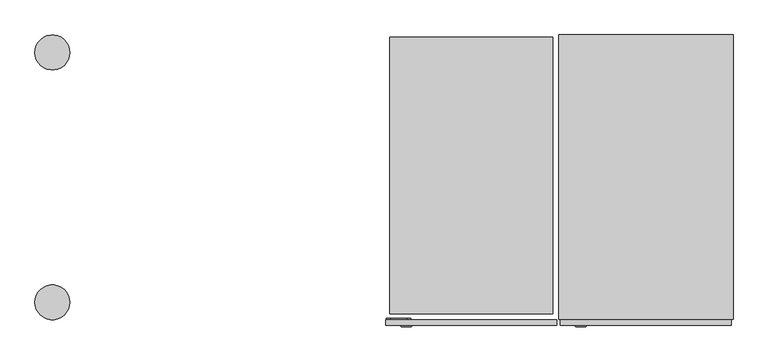
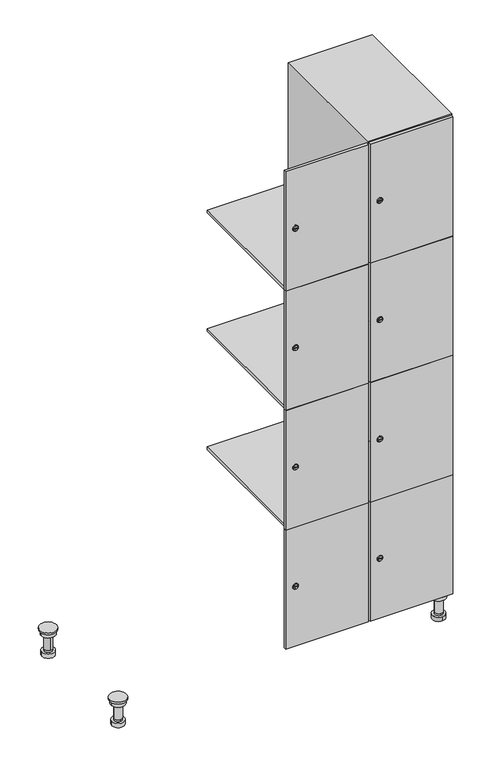
"""IFC4 building model written with IfcOpenShell, lengths in millimetres: furniture geometry."""

from ifc_helpers import new_model, si_unit, point, frame, frame_2d, origin, place, context, project, spatial, polyline, circle_curve, trimmed, segment, composite_curve, outline, extrude, faceted_brep, source, transform, mapped, element, save
from ifc_brep_helpers import plane_surface, cylinder_surface, revolved_surface, advanced_brep


def furniture_01546b12(model_context):
    return source(origin(), model_context, "Body", "SolidModel", [
        advanced_brep(
        [(970.0, -201.0, 22.0), (970.0, -201.5, 16.0), (970.0, -228.5, 16.0), (970.0, -229.0, 22.0), (956.0, -215.0, 22.0), (984.0, -215.0, 22.0), (970.0, -192.5, 16.0), (970.0, -237.5, 16.0), (970.0, -192.5, 0.0), (970.0, -237.5, 0.0), (984.0, -215.0, 78.0), (956.0, -215.0, 78.0), (995.0, -215.0, 78.0), (945.0, -215.0, 78.0), (1000.0, -215.0, 94.0), (940.0, -215.0, 94.0), (945.0, -215.0, 94.0), (995.0, -215.0, 94.0), (1000.0, -215.0, 100.0), (940.0, -215.0, 100.0)],
        [
            (0, 1),
            (1, 2, circle_curve(frame((970.0, -215.0, 16.0), z_axis=(0.0, 0.0, 1.0), x_axis=(0.0, -1.0, 0.0)), 13.5)),
            (2, 3),
            (3, 4, circle_curve(frame((970.0, -215.0, 22.0), z_axis=(0.0, 0.0, -1.0), x_axis=(0.0, -1.0, 0.0)), 14.0)),
            (4, 0, circle_curve(frame((970.0, -215.0, 22.0), z_axis=(0.0, 0.0, -1.0), x_axis=(0.0, -1.0, 0.0)), 14.0)),
            (0, 5, circle_curve(frame((970.0, -215.0, 22.0), z_axis=(0.0, 0.0, -1.0), x_axis=(0.0, 1.0, 0.0)), 14.0)),
            (5, 3, circle_curve(frame((970.0, -215.0, 22.0), z_axis=(0.0, 0.0, -1.0), x_axis=(0.0, 1.0, 0.0)), 14.0)),
            (2, 1, circle_curve(frame((970.0, -215.0, 16.0), z_axis=(0.0, 0.0, 1.0), x_axis=(0.0, 1.0, 0.0)), 13.5)),
            (6, 7, circle_curve(frame((970.0, -215.0, 16.0), z_axis=(0.0, 0.0, 1.0), x_axis=(0.0, -1.0, 0.0)), 22.5)),
            (7, 6, circle_curve(frame((970.0, -215.0, 16.0), z_axis=(0.0, 0.0, 1.0), x_axis=(0.0, -1.0, 0.0)), 22.5)),
            (8, 9, circle_curve(frame((970.0, -215.0, 0.0), z_axis=(0.0, 0.0, -1.0), x_axis=(0.0, -1.0, 0.0)), 22.5)),
            (9, 8, circle_curve(frame((970.0, -215.0, 0.0), z_axis=(0.0, 0.0, -1.0), x_axis=(0.0, -1.0, 0.0)), 22.5)),
            (6, 8),
            (9, 7),
            (5, 10),
            (10, 11, circle_curve(frame((970.0, -215.0, 78.0), z_axis=(0.0, 0.0, -1.0), x_axis=(-1.0, 0.0, 0.0)), 14.0)),
            (11, 4),
            (11, 10, circle_curve(frame((970.0, -215.0, 78.0), z_axis=(0.0, 0.0, -1.0), x_axis=(-1.0, 0.0, 0.0)), 14.0)),
            (12, 13, circle_curve(frame((970.0, -215.0, 78.0), z_axis=(0.0, 0.0, -1.0), x_axis=(-1.0, 0.0, 0.0)), 25.0)),
            (13, 12, circle_curve(frame((970.0, -215.0, 78.0), z_axis=(0.0, 0.0, -1.0), x_axis=(-1.0, 0.0, 0.0)), 25.0)),
            (14, 15, circle_curve(frame((970.0, -215.0, 94.0), z_axis=(0.0, 0.0, -1.0), x_axis=(-1.0, 0.0, 0.0)), 30.0)),
            (15, 14, circle_curve(frame((970.0, -215.0, 94.0), z_axis=(0.0, 0.0, -1.0), x_axis=(-1.0, 0.0, 0.0)), 30.0)),
            (16, 17, circle_curve(frame((970.0, -215.0, 94.0), z_axis=(0.0, 0.0, 1.0), x_axis=(-1.0, 0.0, 0.0)), 25.0)),
            (17, 16, circle_curve(frame((970.0, -215.0, 94.0), z_axis=(0.0, 0.0, 1.0), x_axis=(-1.0, 0.0, 0.0)), 25.0)),
            (18, 19, circle_curve(frame((970.0, -215.0, 100.0), z_axis=(0.0, 0.0, 1.0), x_axis=(-1.0, 0.0, 0.0)), 30.0)),
            (19, 18, circle_curve(frame((970.0, -215.0, 100.0), z_axis=(0.0, 0.0, 1.0), x_axis=(-1.0, 0.0, 0.0)), 30.0)),
            (14, 18),
            (19, 15),
            (12, 17),
            (16, 13),
        ],
        [
            revolved_surface(polyline([(970.0, -201.5, 16.0), (970.0, -201.0, 22.0)]), (970.0, -215.0, -146.0), (0.0, 0.0, 1.0)),
            plane_surface(frame((970.0, 0.0, 16.0), z_axis=(0.0, 0.0, 1.0), x_axis=(0.0, -1.0, 0.0))),
            plane_surface(frame((970.0, 0.0, 0.0), z_axis=(0.0, 0.0, -1.0), x_axis=(0.0, -1.0, 0.0))),
            cylinder_surface(frame((970.0, -215.0, 16.0), z_axis=(0.0, 0.0, 1.0), x_axis=(0.0, -1.0, 0.0)), 22.5),
            cylinder_surface(frame((970.0, -215.0, 22.0), z_axis=(0.0, 0.0, -1.0), x_axis=(-1.0, 0.0, 0.0)), 14.0),
            plane_surface(frame((970.0, 0.0, 78.0), z_axis=(0.0, 0.0, -1.0), x_axis=(0.0, -1.0, 0.0))),
            plane_surface(frame((970.0, 0.0, 94.0), z_axis=(0.0, 0.0, -1.0), x_axis=(0.0, -1.0, 0.0))),
            plane_surface(frame((970.0, 0.0, 100.0), z_axis=(0.0, 0.0, 1.0), x_axis=(0.0, -1.0, 0.0))),
            cylinder_surface(frame((970.0, -215.0, 94.0), z_axis=(0.0, 0.0, -1.0), x_axis=(-1.0, 0.0, 0.0)), 30.0),
            cylinder_surface(frame((970.0, -215.0, 78.0), z_axis=(0.0, 0.0, -1.0), x_axis=(-1.0, 0.0, 0.0)), 25.0),
        ],
        [
            (0, [[1, 2, 3, 4, 5]]),
            (0, [[-1, 6, 7, -3, 8]]),
            (1, [[9, 10], [-2, -8]]),
            (2, [[11, 12]]),
            (3, [[-9, 13, -12, 14]]),
            (3, [[-10, -14, -11, -13]]),
            (4, [[15, 16, 17, -4, -7]]),
            (4, [[-15, -6, -5, -17, 18]]),
            (5, [[19, 20], [-16, -18]]),
            (6, [[21, 22], [23, 24]]),
            (7, [[25, 26]]),
            (8, [[-21, 27, -26, 28]]),
            (8, [[-22, -28, -25, -27]]),
            (9, [[-19, 29, -23, 30]]),
            (9, [[-20, -30, -24, -29]]),
        ],
    ),
        advanced_brep(
        [(-170.0, -201.0, 22.0), (-170.0, -201.5, 16.0), (-170.0, -228.5, 16.0), (-170.0, -229.0, 22.0), (-184.0, -215.0, 22.0), (-156.0, -215.0, 22.0), (-147.5, -215.0, 0.0), (-192.5, -215.0, 0.0), (-147.5, -215.0, 16.0), (-192.5, -215.0, 16.0), (-156.0, -215.0, 78.0), (-184.0, -215.0, 78.0), (-145.0, -215.0, 78.0), (-195.0, -215.0, 78.0), (-140.0, -215.0, 94.0), (-200.0, -215.0, 94.0), (-195.0, -215.0, 94.0), (-145.0, -215.0, 94.0), (-140.0, -215.0, 100.0), (-200.0, -215.0, 100.0)],
        [
            (0, 1),
            (1, 2, circle_curve(frame((-170.0, -215.0, 16.0), z_axis=(0.0, 0.0, 1.0), x_axis=(0.0, -1.0, 0.0)), 13.5)),
            (2, 3),
            (3, 4, circle_curve(frame((-170.0, -215.0, 22.0), z_axis=(0.0, 0.0, -1.0), x_axis=(0.0, -1.0, 0.0)), 14.0)),
            (4, 0, circle_curve(frame((-170.0, -215.0, 22.0), z_axis=(0.0, 0.0, -1.0), x_axis=(0.0, -1.0, 0.0)), 14.0)),
            (0, 5, circle_curve(frame((-170.0, -215.0, 22.0), z_axis=(0.0, 0.0, -1.0), x_axis=(0.0, 1.0, 0.0)), 14.0)),
            (5, 3, circle_curve(frame((-170.0, -215.0, 22.0), z_axis=(0.0, 0.0, -1.0), x_axis=(0.0, 1.0, 0.0)), 14.0)),
            (2, 1, circle_curve(frame((-170.0, -215.0, 16.0), z_axis=(0.0, 0.0, 1.0), x_axis=(0.0, 1.0, 0.0)), 13.5)),
            (6, 7, circle_curve(frame((-170.0, -215.0, 0.0), z_axis=(0.0, 0.0, -1.0), x_axis=(-1.0, 0.0, 0.0)), 22.5)),
            (7, 6, circle_curve(frame((-170.0, -215.0, 0.0), z_axis=(0.0, 0.0, -1.0), x_axis=(-1.0, 0.0, 0.0)), 22.5)),
            (8, 9, circle_curve(frame((-170.0, -215.0, 16.0), z_axis=(0.0, 0.0, 1.0), x_axis=(-1.0, 0.0, 0.0)), 22.5)),
            (9, 8, circle_curve(frame((-170.0, -215.0, 16.0), z_axis=(0.0, 0.0, 1.0), x_axis=(-1.0, 0.0, 0.0)), 22.5)),
            (6, 8),
            (9, 7),
            (5, 10),
            (10, 11, circle_curve(frame((-170.0, -215.0, 78.0), z_axis=(0.0, 0.0, -1.0), x_axis=(-1.0, 0.0, 0.0)), 14.0)),
            (11, 4),
            (11, 10, circle_curve(frame((-170.0, -215.0, 78.0), z_axis=(0.0, 0.0, -1.0), x_axis=(-1.0, 0.0, 0.0)), 14.0)),
            (12, 13, circle_curve(frame((-170.0, -215.0, 78.0), z_axis=(0.0, 0.0, -1.0), x_axis=(-1.0, 0.0, 0.0)), 25.0)),
            (13, 12, circle_curve(frame((-170.0, -215.0, 78.0), z_axis=(0.0, 0.0, -1.0), x_axis=(-1.0, 0.0, 0.0)), 25.0)),
            (14, 15, circle_curve(frame((-170.0, -215.0, 94.0), z_axis=(0.0, 0.0, -1.0), x_axis=(-1.0, 0.0, 0.0)), 30.0)),
            (15, 14, circle_curve(frame((-170.0, -215.0, 94.0), z_axis=(0.0, 0.0, -1.0), x_axis=(-1.0, 0.0, 0.0)), 30.0)),
            (16, 17, circle_curve(frame((-170.0, -215.0, 94.0), z_axis=(0.0, 0.0, 1.0), x_axis=(-1.0, 0.0, 0.0)), 25.0)),
            (17, 16, circle_curve(frame((-170.0, -215.0, 94.0), z_axis=(0.0, 0.0, 1.0), x_axis=(-1.0, 0.0, 0.0)), 25.0)),
            (18, 19, circle_curve(frame((-170.0, -215.0, 100.0), z_axis=(0.0, 0.0, 1.0), x_axis=(-1.0, 0.0, 0.0)), 30.0)),
            (19, 18, circle_curve(frame((-170.0, -215.0, 100.0), z_axis=(0.0, 0.0, 1.0), x_axis=(-1.0, 0.0, 0.0)), 30.0)),
            (14, 18),
            (19, 15),
            (12, 17),
            (16, 13),
        ],
        [
            revolved_surface(polyline([(-170.0, -201.5, 16.0), (-170.0, -201.0, 22.0)]), (-170.0, -215.0, -146.0), (0.0, 0.0, 1.0)),
            plane_surface(frame((-170.0, 0.0, 0.0), z_axis=(0.0, 0.0, -1.0), x_axis=(0.0, -1.0, 0.0))),
            plane_surface(frame((-170.0, 0.0, 16.0), z_axis=(0.0, 0.0, 1.0), x_axis=(0.0, -1.0, 0.0))),
            cylinder_surface(frame((-170.0, -215.0, 0.0), z_axis=(0.0, 0.0, -1.0), x_axis=(-1.0, 0.0, 0.0)), 22.5),
            cylinder_surface(frame((-170.0, -215.0, 22.0), z_axis=(0.0, 0.0, -1.0), x_axis=(-1.0, 0.0, 0.0)), 14.0),
            plane_surface(frame((-170.0, 0.0, 78.0), z_axis=(0.0, 0.0, -1.0), x_axis=(0.0, -1.0, 0.0))),
            plane_surface(frame((-170.0, 0.0, 94.0), z_axis=(0.0, 0.0, -1.0), x_axis=(0.0, -1.0, 0.0))),
            plane_surface(frame((-170.0, 0.0, 100.0), z_axis=(0.0, 0.0, 1.0), x_axis=(0.0, -1.0, 0.0))),
            cylinder_surface(frame((-170.0, -215.0, 94.0), z_axis=(0.0, 0.0, -1.0), x_axis=(-1.0, 0.0, 0.0)), 30.0),
            cylinder_surface(frame((-170.0, -215.0, 78.0), z_axis=(0.0, 0.0, -1.0), x_axis=(-1.0, 0.0, 0.0)), 25.0),
        ],
        [
            (0, [[1, 2, 3, 4, 5]]),
            (0, [[-1, 6, 7, -3, 8]]),
            (1, [[9, 10]]),
            (2, [[11, 12], [-2, -8]]),
            (3, [[-9, 13, -12, 14]]),
            (3, [[-10, -14, -11, -13]]),
            (4, [[15, 16, 17, -4, -7]]),
            (4, [[-15, -6, -5, -17, 18]]),
            (5, [[19, 20], [-16, -18]]),
            (6, [[21, 22], [23, 24]]),
            (7, [[25, 26]]),
            (8, [[-21, 27, -26, 28]]),
            (8, [[-22, -28, -25, -27]]),
            (9, [[-19, 29, -23, 30]]),
            (9, [[-20, -30, -24, -29]]),
        ],
    ),
        advanced_brep(
        [(983.5, 215.0, 16.0), (984.0, 215.0, 22.0), (956.0, 215.0, 22.0), (956.5, 215.0, 16.0), (992.5, 215.0, 0.0), (947.5, 215.0, 0.0), (992.5, 215.0, 16.0), (947.5, 215.0, 16.0), (984.0, 215.0, 78.0), (956.0, 215.0, 78.0), (995.0, 215.0, 78.0), (945.0, 215.0, 78.0), (1000.0, 215.0, 94.0), (940.0, 215.0, 94.0), (945.0, 215.0, 94.0), (995.0, 215.0, 94.0), (1000.0, 215.0, 100.0), (940.0, 215.0, 100.0)],
        [
            (0, 1),
            (1, 2, circle_curve(frame((970.0, 215.0, 22.0), z_axis=(0.0, 0.0, -1.0), x_axis=(-1.0, 0.0, 0.0)), 14.0)),
            (2, 3),
            (3, 0, circle_curve(frame((970.0, 215.0, 16.0), z_axis=(0.0, 0.0, 1.0), x_axis=(-1.0, 0.0, 0.0)), 13.5)),
            (0, 3, circle_curve(frame((970.0, 215.0, 16.0), z_axis=(0.0, 0.0, 1.0), x_axis=(1.0, 0.0, 0.0)), 13.5)),
            (2, 1, circle_curve(frame((970.0, 215.0, 22.0), z_axis=(0.0, 0.0, -1.0), x_axis=(1.0, 0.0, 0.0)), 14.0)),
            (4, 5, circle_curve(frame((970.0, 215.0, 0.0), z_axis=(0.0, 0.0, -1.0), x_axis=(-1.0, 0.0, 0.0)), 22.5)),
            (5, 4, circle_curve(frame((970.0, 215.0, 0.0), z_axis=(0.0, 0.0, -1.0), x_axis=(-1.0, 0.0, 0.0)), 22.5)),
            (6, 7, circle_curve(frame((970.0, 215.0, 16.0), z_axis=(0.0, 0.0, 1.0), x_axis=(-1.0, 0.0, 0.0)), 22.5)),
            (7, 6, circle_curve(frame((970.0, 215.0, 16.0), z_axis=(0.0, 0.0, 1.0), x_axis=(-1.0, 0.0, 0.0)), 22.5)),
            (4, 6),
            (7, 5),
            (1, 8),
            (8, 9, circle_curve(frame((970.0, 215.0, 78.0), z_axis=(0.0, 0.0, -1.0), x_axis=(-1.0, 0.0, 0.0)), 14.0)),
            (9, 2),
            (9, 8, circle_curve(frame((970.0, 215.0, 78.0), z_axis=(0.0, 0.0, -1.0), x_axis=(-1.0, 0.0, 0.0)), 14.0)),
            (10, 11, circle_curve(frame((970.0, 215.0, 78.0), z_axis=(0.0, 0.0, -1.0), x_axis=(-1.0, 0.0, 0.0)), 25.0)),
            (11, 10, circle_curve(frame((970.0, 215.0, 78.0), z_axis=(0.0, 0.0, -1.0), x_axis=(-1.0, 0.0, 0.0)), 25.0)),
            (12, 13, circle_curve(frame((970.0, 215.0, 94.0), z_axis=(0.0, 0.0, -1.0), x_axis=(-1.0, 0.0, 0.0)), 30.0)),
            (13, 12, circle_curve(frame((970.0, 215.0, 94.0), z_axis=(0.0, 0.0, -1.0), x_axis=(-1.0, 0.0, 0.0)), 30.0)),
            (14, 15, circle_curve(frame((970.0, 215.0, 94.0), z_axis=(0.0, 0.0, 1.0), x_axis=(-1.0, 0.0, 0.0)), 25.0)),
            (15, 14, circle_curve(frame((970.0, 215.0, 94.0), z_axis=(0.0, 0.0, 1.0), x_axis=(-1.0, 0.0, 0.0)), 25.0)),
            (16, 17, circle_curve(frame((970.0, 215.0, 100.0), z_axis=(0.0, 0.0, 1.0), x_axis=(-1.0, 0.0, 0.0)), 30.0)),
            (17, 16, circle_curve(frame((970.0, 215.0, 100.0), z_axis=(0.0, 0.0, 1.0), x_axis=(-1.0, 0.0, 0.0)), 30.0)),
            (12, 16),
            (17, 13),
            (10, 15),
            (14, 11),
        ],
        [
            revolved_surface(polyline([(983.5, 215.0, 16.0), (984.0, 215.0, 22.0)]), (970.0, 215.0, -146.0), (0.0, 0.0, 1.0)),
            plane_surface(frame((970.0, 0.0, 0.0), z_axis=(0.0, 0.0, -1.0), x_axis=(0.0, -1.0, 0.0))),
            plane_surface(frame((970.0, 0.0, 16.0), z_axis=(0.0, 0.0, 1.0), x_axis=(0.0, -1.0, 0.0))),
            cylinder_surface(frame((970.0, 215.0, 0.0), z_axis=(0.0, 0.0, -1.0), x_axis=(-1.0, 0.0, 0.0)), 22.5),
            cylinder_surface(frame((970.0, 215.0, 22.0), z_axis=(0.0, 0.0, -1.0), x_axis=(-1.0, 0.0, 0.0)), 14.0),
            plane_surface(frame((970.0, 0.0, 78.0), z_axis=(0.0, 0.0, -1.0), x_axis=(0.0, -1.0, 0.0))),
            plane_surface(frame((970.0, 0.0, 94.0), z_axis=(0.0, 0.0, -1.0), x_axis=(0.0, -1.0, 0.0))),
            plane_surface(frame((970.0, 0.0, 100.0), z_axis=(0.0, 0.0, 1.0), x_axis=(0.0, -1.0, 0.0))),
            cylinder_surface(frame((970.0, 215.0, 94.0), z_axis=(0.0, 0.0, -1.0), x_axis=(-1.0, 0.0, 0.0)), 30.0),
            cylinder_surface(frame((970.0, 215.0, 78.0), z_axis=(0.0, 0.0, -1.0), x_axis=(-1.0, 0.0, 0.0)), 25.0),
        ],
        [
            (0, [[1, 2, 3, 4]]),
            (0, [[-1, 5, -3, 6]]),
            (1, [[7, 8]]),
            (2, [[9, 10], [-4, -5]]),
            (3, [[-7, 11, -10, 12]]),
            (3, [[-8, -12, -9, -11]]),
            (4, [[13, 14, 15, -2]]),
            (4, [[-13, -6, -15, 16]]),
            (5, [[17, 18], [-14, -16]]),
            (6, [[19, 20], [21, 22]]),
            (7, [[23, 24]]),
            (8, [[-19, 25, -24, 26]]),
            (8, [[-20, -26, -23, -25]]),
            (9, [[-17, 27, -21, 28]]),
            (9, [[-18, -28, -22, -27]]),
        ],
    ),
        advanced_brep(
        [(-156.5, 215.0, 16.0), (-156.0, 215.0, 22.0), (-170.0, 201.0, 22.0), (-184.0, 215.0, 22.0), (-183.5, 215.0, 16.0), (-170.0, 229.0, 22.0), (-147.5, 215.0, 0.0), (-192.5, 215.0, 0.0), (-147.5, 215.0, 16.0), (-192.5, 215.0, 16.0), (-170.0, 229.0, 78.0), (-170.0, 201.0, 78.0), (-145.0, 215.0, 78.0), (-195.0, 215.0, 78.0), (-140.0, 215.0, 94.0), (-200.0, 215.0, 94.0), (-195.0, 215.0, 94.0), (-145.0, 215.0, 94.0), (-140.0, 215.0, 100.0), (-200.0, 215.0, 100.0)],
        [
            (0, 1),
            (1, 2, circle_curve(frame((-170.0, 215.0, 22.0), z_axis=(0.0, 0.0, -1.0), x_axis=(-1.0, 0.0, 0.0)), 14.0)),
            (2, 3, circle_curve(frame((-170.0, 215.0, 22.0), z_axis=(0.0, 0.0, -1.0), x_axis=(-1.0, 0.0, 0.0)), 14.0)),
            (3, 4),
            (4, 0, circle_curve(frame((-170.0, 215.0, 16.0), z_axis=(0.0, 0.0, 1.0), x_axis=(-1.0, 0.0, 0.0)), 13.5)),
            (0, 4, circle_curve(frame((-170.0, 215.0, 16.0), z_axis=(0.0, 0.0, 1.0), x_axis=(1.0, 0.0, 0.0)), 13.5)),
            (3, 5, circle_curve(frame((-170.0, 215.0, 22.0), z_axis=(0.0, 0.0, -1.0), x_axis=(1.0, 0.0, 0.0)), 14.0)),
            (5, 1, circle_curve(frame((-170.0, 215.0, 22.0), z_axis=(0.0, 0.0, -1.0), x_axis=(1.0, 0.0, 0.0)), 14.0)),
            (6, 7, circle_curve(frame((-170.0, 215.0, 0.0), z_axis=(0.0, 0.0, -1.0), x_axis=(-1.0, 0.0, 0.0)), 22.5)),
            (7, 6, circle_curve(frame((-170.0, 215.0, 0.0), z_axis=(0.0, 0.0, -1.0), x_axis=(-1.0, 0.0, 0.0)), 22.5)),
            (8, 9, circle_curve(frame((-170.0, 215.0, 16.0), z_axis=(0.0, 0.0, 1.0), x_axis=(-1.0, 0.0, 0.0)), 22.5)),
            (9, 8, circle_curve(frame((-170.0, 215.0, 16.0), z_axis=(0.0, 0.0, 1.0), x_axis=(-1.0, 0.0, 0.0)), 22.5)),
            (6, 8),
            (9, 7),
            (10, 5),
            (2, 11),
            (11, 10, circle_curve(frame((-170.0, 215.0, 78.0), z_axis=(0.0, 0.0, -1.0), x_axis=(0.0, -1.0, 0.0)), 14.0)),
            (10, 11, circle_curve(frame((-170.0, 215.0, 78.0), z_axis=(0.0, 0.0, -1.0), x_axis=(0.0, -1.0, 0.0)), 14.0)),
            (12, 13, circle_curve(frame((-170.0, 215.0, 78.0), z_axis=(0.0, 0.0, -1.0), x_axis=(-1.0, 0.0, 0.0)), 25.0)),
            (13, 12, circle_curve(frame((-170.0, 215.0, 78.0), z_axis=(0.0, 0.0, -1.0), x_axis=(-1.0, 0.0, 0.0)), 25.0)),
            (14, 15, circle_curve(frame((-170.0, 215.0, 94.0), z_axis=(0.0, 0.0, -1.0), x_axis=(-1.0, 0.0, 0.0)), 30.0)),
            (15, 14, circle_curve(frame((-170.0, 215.0, 94.0), z_axis=(0.0, 0.0, -1.0), x_axis=(-1.0, 0.0, 0.0)), 30.0)),
            (16, 17, circle_curve(frame((-170.0, 215.0, 94.0), z_axis=(0.0, 0.0, 1.0), x_axis=(-1.0, 0.0, 0.0)), 25.0)),
            (17, 16, circle_curve(frame((-170.0, 215.0, 94.0), z_axis=(0.0, 0.0, 1.0), x_axis=(-1.0, 0.0, 0.0)), 25.0)),
            (18, 19, circle_curve(frame((-170.0, 215.0, 100.0), z_axis=(0.0, 0.0, 1.0), x_axis=(-1.0, 0.0, 0.0)), 30.0)),
            (19, 18, circle_curve(frame((-170.0, 215.0, 100.0), z_axis=(0.0, 0.0, 1.0), x_axis=(-1.0, 0.0, 0.0)), 30.0)),
            (14, 18),
            (19, 15),
            (12, 17),
            (16, 13),
        ],
        [
            revolved_surface(polyline([(-156.5, 215.0, 16.0), (-156.0, 215.0, 22.0)]), (-170.0, 215.0, -146.0), (0.0, 0.0, 1.0)),
            plane_surface(frame((-170.0, 0.0, 0.0), z_axis=(0.0, 0.0, -1.0), x_axis=(0.0, -1.0, 0.0))),
            plane_surface(frame((-170.0, 0.0, 16.0), z_axis=(0.0, 0.0, 1.0), x_axis=(0.0, -1.0, 0.0))),
            cylinder_surface(frame((-170.0, 215.0, 0.0), z_axis=(0.0, 0.0, -1.0), x_axis=(-1.0, 0.0, 0.0)), 22.5),
            cylinder_surface(frame((-170.0, 215.0, 78.0), z_axis=(0.0, 0.0, 1.0), x_axis=(0.0, -1.0, 0.0)), 14.0),
            plane_surface(frame((-170.0, 0.0, 78.0), z_axis=(0.0, 0.0, -1.0), x_axis=(0.0, -1.0, 0.0))),
            plane_surface(frame((-170.0, 0.0, 94.0), z_axis=(0.0, 0.0, -1.0), x_axis=(0.0, -1.0, 0.0))),
            plane_surface(frame((-170.0, 0.0, 100.0), z_axis=(0.0, 0.0, 1.0), x_axis=(0.0, -1.0, 0.0))),
            cylinder_surface(frame((-170.0, 215.0, 94.0), z_axis=(0.0, 0.0, -1.0), x_axis=(-1.0, 0.0, 0.0)), 30.0),
            cylinder_surface(frame((-170.0, 215.0, 78.0), z_axis=(0.0, 0.0, -1.0), x_axis=(-1.0, 0.0, 0.0)), 25.0),
        ],
        [
            (0, [[1, 2, 3, 4, 5]]),
            (0, [[-1, 6, -4, 7, 8]]),
            (1, [[9, 10]]),
            (2, [[11, 12], [-5, -6]]),
            (3, [[-9, 13, -12, 14]]),
            (3, [[-10, -14, -11, -13]]),
            (4, [[15, -7, -3, 16, 17]]),
            (4, [[-15, 18, -16, -2, -8]]),
            (5, [[19, 20], [-17, -18]]),
            (6, [[21, 22], [23, 24]]),
            (7, [[25, 26]]),
            (8, [[-21, 27, -26, 28]]),
            (8, [[-22, -28, -25, -27]]),
            (9, [[-19, 29, -23, 30]]),
            (9, [[-20, -30, -24, -29]]),
        ],
    ),
        extrude(outline(composite_curve([segment(trimmed(circle_curve(frame_2d((327.25, 711.2010534)), 7.0), [point((334.25, 711.2010534))], [point((320.25, 711.2010534))], False, "CARTESIAN"), True, "CONTINUOUS"), segment(polyline([(320.25, 711.2010534), (320.25, 739.2010534)]), True, "CONTINUOUS"), segment(trimmed(circle_curve(frame_2d((327.25, 739.2010534)), 7.0), [point((320.25, 739.2010534))], [point((334.25, 739.2010534))], False, "CARTESIAN"), True, "CONTINUOUS"), segment(polyline([(334.25, 739.2010534), (334.25, 711.2010534)]), True, "CONTINUOUS")], self_intersect=False)), frame((0.0, -245.0, 0.0), z_axis=(0.0, 1.0, 0.0), x_axis=(0.0, 0.0, 1.0)), (0.0, 0.0, 1.0), 2.0),
        advanced_brep(
        [(746.5, -257.2, 327.25), (729.5, -257.2, 327.25), (733.0, -257.2, 326.0), (733.0, -257.2, 328.5), (743.0, -257.2, 328.5), (743.0, -257.2, 326.0), (748.5, -255.0, 327.25), (727.5, -255.0, 327.25), (733.0, -255.0, 328.5), (733.0, -255.0, 326.0), (743.0, -255.0, 326.0), (743.0, -255.0, 328.5)],
        [
            (0, 1, circle_curve(frame((738.0, -257.2, 327.25), z_axis=(0.0, -1.0, 0.0), x_axis=(1.0, 0.0, 0.0)), 8.5)),
            (1, 0, circle_curve(frame((738.0, -257.2, 327.25), z_axis=(0.0, -1.0, 0.0), x_axis=(-1.0, 0.0, 0.0)), 8.5)),
            (2, 3),
            (3, 4),
            (4, 5),
            (5, 2),
            (6, 7, circle_curve(frame((738.0, -255.0, 327.25), z_axis=(0.0, 1.0, 0.0), x_axis=(-1.0, 0.0, 0.0)), 10.5)),
            (7, 6, circle_curve(frame((738.0, -255.0, 327.25), z_axis=(0.0, 1.0, 0.0), x_axis=(1.0, 0.0, 0.0)), 10.5)),
            (8, 9),
            (9, 10),
            (10, 11),
            (11, 8),
            (0, 6),
            (7, 1),
            (8, 3),
            (2, 9),
            (11, 4),
            (10, 5),
        ],
        [
            plane_surface(frame((738.0, -257.2, 327.25), z_axis=(0.0, -1.0, 0.0), x_axis=(0.0, 0.0, 1.0))),
            plane_surface(frame((738.0, -255.0, 327.25), z_axis=(0.0, 1.0, 0.0), x_axis=(0.0, 0.0, 1.0))),
            revolved_surface(polyline([(746.5, -257.2, 327.25), (748.5, -255.0, 327.25)]), (738.0, -266.55, 327.25), (0.0, 1.0, 0.0)),
            revolved_surface(polyline([(729.5, -257.2, 327.25), (727.5, -255.0, 327.25)]), (738.0, -266.55, 327.25), (0.0, 1.0, 0.0)),
            plane_surface(frame((733.0, -255.0, 326.0), z_axis=(1.0, 0.0, 0.0), x_axis=(0.0, -1.0, 0.0))),
            plane_surface(frame((733.0, -255.0, 328.5), z_axis=(0.0, 0.0, -1.0), x_axis=(0.0, -1.0, 0.0))),
            plane_surface(frame((743.0, -255.0, 328.5), z_axis=(-1.0, 0.0, 0.0), x_axis=(0.0, -1.0, 0.0))),
            plane_surface(frame((743.0, -255.0, 326.0), z_axis=(0.0, 0.0, 1.0), x_axis=(0.0, -1.0, 0.0))),
        ],
        [
            (0, [[1, 2], [3, 4, 5, 6]]),
            (1, [[7, 8], [9, 10, 11, 12]]),
            (2, [[-1, 13, -8, 14]]),
            (3, [[-2, -14, -7, -13]]),
            (4, [[15, -3, 16, -9]]),
            (5, [[-15, -12, 17, -4]]),
            (6, [[-17, -11, 18, -5]]),
            (7, [[-16, -6, -18, -10]]),
        ],
    ),
        extrude(outline(composite_curve([segment(trimmed(circle_curve(frame_2d((775.75, 711.2010534)), 7.0), [point((782.75, 711.2010534))], [point((768.75, 711.2010534))], False, "CARTESIAN"), True, "CONTINUOUS"), segment(polyline([(768.75, 711.2010534), (768.75, 739.2010534)]), True, "CONTINUOUS"), segment(trimmed(circle_curve(frame_2d((775.75, 739.2010534)), 7.0), [point((768.75, 739.2010534))], [point((782.75, 739.2010534))], False, "CARTESIAN"), True, "CONTINUOUS"), segment(polyline([(782.75, 739.2010534), (782.75, 711.2010534)]), True, "CONTINUOUS")], self_intersect=False)), frame((0.0, -245.0, 0.0), z_axis=(0.0, 1.0, 0.0), x_axis=(0.0, 0.0, 1.0)), (0.0, 0.0, 1.0), 2.0),
        advanced_brep(
        [(746.5, -257.2, 775.75), (729.5, -257.2, 775.75), (733.0, -257.2, 774.5), (733.0, -257.2, 777.0), (743.0, -257.2, 777.0), (743.0, -257.2, 774.5), (748.5, -255.0, 775.75), (727.5, -255.0, 775.75), (733.0, -255.0, 777.0), (733.0, -255.0, 774.5), (743.0, -255.0, 774.5), (743.0, -255.0, 777.0)],
        [
            (0, 1, circle_curve(frame((738.0, -257.2, 775.75), z_axis=(0.0, -1.0, 0.0), x_axis=(1.0, 0.0, 0.0)), 8.5)),
            (1, 0, circle_curve(frame((738.0, -257.2, 775.75), z_axis=(0.0, -1.0, 0.0), x_axis=(-1.0, 0.0, 0.0)), 8.5)),
            (2, 3),
            (3, 4),
            (4, 5),
            (5, 2),
            (6, 7, circle_curve(frame((738.0, -255.0, 775.75), z_axis=(0.0, 1.0, 0.0), x_axis=(-1.0, 0.0, 0.0)), 10.5)),
            (7, 6, circle_curve(frame((738.0, -255.0, 775.75), z_axis=(0.0, 1.0, 0.0), x_axis=(1.0, 0.0, 0.0)), 10.5)),
            (8, 9),
            (9, 10),
            (10, 11),
            (11, 8),
            (0, 6),
            (7, 1),
            (8, 3),
            (2, 9),
            (11, 4),
            (10, 5),
        ],
        [
            plane_surface(frame((738.0, -257.2, 775.75), z_axis=(0.0, -1.0, 0.0), x_axis=(0.0, 0.0, 1.0))),
            plane_surface(frame((738.0, -255.0, 775.75), z_axis=(0.0, 1.0, 0.0), x_axis=(0.0, 0.0, 1.0))),
            revolved_surface(polyline([(746.5, -257.2, 775.75), (748.5, -255.0, 775.75)]), (738.0, -266.55, 775.75), (0.0, 1.0, 0.0)),
            revolved_surface(polyline([(729.5, -257.2, 775.75), (727.5, -255.0, 775.75)]), (738.0, -266.55, 775.75), (0.0, 1.0, 0.0)),
            plane_surface(frame((733.0, -255.0, 774.5), z_axis=(1.0, 0.0, 0.0), x_axis=(0.0, -1.0, 0.0))),
            plane_surface(frame((733.0, -255.0, 777.0), z_axis=(0.0, 0.0, -1.0), x_axis=(0.0, -1.0, 0.0))),
            plane_surface(frame((743.0, -255.0, 777.0), z_axis=(-1.0, 0.0, 0.0), x_axis=(0.0, -1.0, 0.0))),
            plane_surface(frame((743.0, -255.0, 774.5), z_axis=(0.0, 0.0, 1.0), x_axis=(0.0, -1.0, 0.0))),
        ],
        [
            (0, [[1, 2], [3, 4, 5, 6]]),
            (1, [[7, 8], [9, 10, 11, 12]]),
            (2, [[-1, 13, -8, 14]]),
            (3, [[-2, -14, -7, -13]]),
            (4, [[15, -3, 16, -9]]),
            (5, [[-15, -12, 17, -4]]),
            (6, [[-17, -11, 18, -5]]),
            (7, [[-16, -6, -18, -10]]),
        ],
    ),
        extrude(outline(composite_curve([segment(trimmed(circle_curve(frame_2d((1224.25, 711.2010534)), 7.0), [point((1231.25, 711.2010534))], [point((1217.25, 711.2010534))], False, "CARTESIAN"), True, "CONTINUOUS"), segment(polyline([(1217.25, 711.2010534), (1217.25, 739.2010534)]), True, "CONTINUOUS"), segment(trimmed(circle_curve(frame_2d((1224.25, 739.2010534)), 7.0), [point((1217.25, 739.2010534))], [point((1231.25, 739.2010534))], False, "CARTESIAN"), True, "CONTINUOUS"), segment(polyline([(1231.25, 739.2010534), (1231.25, 711.2010534)]), True, "CONTINUOUS")], self_intersect=False)), frame((0.0, -245.0, 0.0), z_axis=(0.0, 1.0, 0.0), x_axis=(0.0, 0.0, 1.0)), (0.0, 0.0, 1.0), 2.0),
        advanced_brep(
        [(746.5, -257.2, 1224.25), (729.5, -257.2, 1224.25), (733.0, -257.2, 1223.0), (733.0, -257.2, 1225.5), (743.0, -257.2, 1225.5), (743.0, -257.2, 1223.0), (748.5, -255.0, 1224.25), (727.5, -255.0, 1224.25), (733.0, -255.0, 1225.5), (733.0, -255.0, 1223.0), (743.0, -255.0, 1223.0), (743.0, -255.0, 1225.5)],
        [
            (0, 1, circle_curve(frame((738.0, -257.2, 1224.25), z_axis=(0.0, -1.0, 0.0), x_axis=(1.0, 0.0, 0.0)), 8.5)),
            (1, 0, circle_curve(frame((738.0, -257.2, 1224.25), z_axis=(0.0, -1.0, 0.0), x_axis=(-1.0, 0.0, 0.0)), 8.5)),
            (2, 3),
            (3, 4),
            (4, 5),
            (5, 2),
            (6, 7, circle_curve(frame((738.0, -255.0, 1224.25), z_axis=(0.0, 1.0, 0.0), x_axis=(-1.0, 0.0, 0.0)), 10.5)),
            (7, 6, circle_curve(frame((738.0, -255.0, 1224.25), z_axis=(0.0, 1.0, 0.0), x_axis=(1.0, 0.0, 0.0)), 10.5)),
            (8, 9),
            (9, 10),
            (10, 11),
            (11, 8),
            (0, 6),
            (7, 1),
            (8, 3),
            (2, 9),
            (11, 4),
            (10, 5),
        ],
        [
            plane_surface(frame((738.0, -257.2, 1224.25), z_axis=(0.0, -1.0, 0.0), x_axis=(0.0, 0.0, 1.0))),
            plane_surface(frame((738.0, -255.0, 1224.25), z_axis=(0.0, 1.0, 0.0), x_axis=(0.0, 0.0, 1.0))),
            revolved_surface(polyline([(746.5, -257.2, 1224.25), (748.5, -255.0, 1224.25)]), (738.0, -266.55, 1224.25), (0.0, 1.0, 0.0)),
            revolved_surface(polyline([(729.5, -257.2, 1224.25), (727.5, -255.0, 1224.25)]), (738.0, -266.55, 1224.25), (0.0, 1.0, 0.0)),
            plane_surface(frame((733.0, -255.0, 1223.0), z_axis=(1.0, 0.0, 0.0), x_axis=(0.0, -1.0, 0.0))),
            plane_surface(frame((733.0, -255.0, 1225.5), z_axis=(0.0, 0.0, -1.0), x_axis=(0.0, -1.0, 0.0))),
            plane_surface(frame((743.0, -255.0, 1225.5), z_axis=(-1.0, 0.0, 0.0), x_axis=(0.0, -1.0, 0.0))),
            plane_surface(frame((743.0, -255.0, 1223.0), z_axis=(0.0, 0.0, 1.0), x_axis=(0.0, -1.0, 0.0))),
        ],
        [
            (0, [[1, 2], [3, 4, 5, 6]]),
            (1, [[7, 8], [9, 10, 11, 12]]),
            (2, [[-1, 13, -8, 14]]),
            (3, [[-2, -14, -7, -13]]),
            (4, [[15, -3, 16, -9]]),
            (5, [[-15, -12, 17, -4]]),
            (6, [[-17, -11, 18, -5]]),
            (7, [[-16, -6, -18, -10]]),
        ],
    ),
        extrude(outline(composite_curve([segment(trimmed(circle_curve(frame_2d((1672.75, 711.2010534)), 7.0), [point((1679.75, 711.2010534))], [point((1665.75, 711.2010534))], False, "CARTESIAN"), True, "CONTINUOUS"), segment(polyline([(1665.75, 711.2010534), (1665.75, 739.2010534)]), True, "CONTINUOUS"), segment(trimmed(circle_curve(frame_2d((1672.75, 739.2010534)), 7.0), [point((1665.75, 739.2010534))], [point((1679.75, 739.2010534))], False, "CARTESIAN"), True, "CONTINUOUS"), segment(polyline([(1679.75, 739.2010534), (1679.75, 711.2010534)]), True, "CONTINUOUS")], self_intersect=False)), frame((0.0, -245.0, 0.0), z_axis=(0.0, 1.0, 0.0), x_axis=(0.0, 0.0, 1.0)), (0.0, 0.0, 1.0), 2.0),
        advanced_brep(
        [(746.5, -257.2, 1672.75), (729.5, -257.2, 1672.75), (733.0, -257.2, 1671.5), (733.0, -257.2, 1674.0), (743.0, -257.2, 1674.0), (743.0, -257.2, 1671.5), (748.5, -255.0, 1672.75), (727.5, -255.0, 1672.75), (733.0, -255.0, 1674.0), (733.0, -255.0, 1671.5), (743.0, -255.0, 1671.5), (743.0, -255.0, 1674.0)],
        [
            (0, 1, circle_curve(frame((738.0, -257.2, 1672.75), z_axis=(0.0, -1.0, 0.0), x_axis=(1.0, 0.0, 0.0)), 8.5)),
            (1, 0, circle_curve(frame((738.0, -257.2, 1672.75), z_axis=(0.0, -1.0, 0.0), x_axis=(-1.0, 0.0, 0.0)), 8.5)),
            (2, 3),
            (3, 4),
            (4, 5),
            (5, 2),
            (6, 7, circle_curve(frame((738.0, -255.0, 1672.75), z_axis=(0.0, 1.0, 0.0), x_axis=(-1.0, 0.0, 0.0)), 10.5)),
            (7, 6, circle_curve(frame((738.0, -255.0, 1672.75), z_axis=(0.0, 1.0, 0.0), x_axis=(1.0, 0.0, 0.0)), 10.5)),
            (8, 9),
            (9, 10),
            (10, 11),
            (11, 8),
            (0, 6),
            (7, 1),
            (8, 3),
            (2, 9),
            (11, 4),
            (10, 5),
        ],
        [
            plane_surface(frame((738.0, -257.2, 1672.75), z_axis=(0.0, -1.0, 0.0), x_axis=(0.0, 0.0, 1.0))),
            plane_surface(frame((738.0, -255.0, 1672.75), z_axis=(0.0, 1.0, 0.0), x_axis=(0.0, 0.0, 1.0))),
            revolved_surface(polyline([(746.5, -257.2, 1672.75), (748.5, -255.0, 1672.75)]), (738.0, -266.55, 1672.75), (0.0, 1.0, 0.0)),
            revolved_surface(polyline([(729.5, -257.2, 1672.75), (727.5, -255.0, 1672.75)]), (738.0, -266.55, 1672.75), (0.0, 1.0, 0.0)),
            plane_surface(frame((733.0, -255.0, 1671.5), z_axis=(1.0, 0.0, 0.0), x_axis=(0.0, -1.0, 0.0))),
            plane_surface(frame((733.0, -255.0, 1674.0), z_axis=(0.0, 0.0, -1.0), x_axis=(0.0, -1.0, 0.0))),
            plane_surface(frame((743.0, -255.0, 1674.0), z_axis=(-1.0, 0.0, 0.0), x_axis=(0.0, -1.0, 0.0))),
            plane_surface(frame((743.0, -255.0, 1671.5), z_axis=(0.0, 0.0, 1.0), x_axis=(0.0, -1.0, 0.0))),
        ],
        [
            (0, [[1, 2], [3, 4, 5, 6]]),
            (1, [[7, 8], [9, 10, 11, 12]]),
            (2, [[-1, 13, -8, 14]]),
            (3, [[-2, -14, -7, -13]]),
            (4, [[15, -3, 16, -9]]),
            (5, [[-15, -12, 17, -4]]),
            (6, [[-17, -11, 18, -5]]),
            (7, [[-16, -6, -18, -10]]),
        ],
    ),
        extrude(outline(polyline([(997.0, -245.0), (997.0, -255.0), (703.0, -255.0), (703.0, -245.0), (997.0, -245.0)])), frame((0.0, 0.0, 551.0), z_axis=(0.0, 0.0, 1.0), x_axis=(1.0, 0.0, 0.0)), (0.0, 0.0, 1.0), 448.5),
        extrude(outline(polyline([(997.0, -245.0), (997.0, -255.0), (703.0, -255.0), (703.0, -245.0), (997.0, -245.0)])), frame((0.0, 0.0, 1000.5), z_axis=(0.0, 0.0, 1.0), x_axis=(1.0, 0.0, 0.0)), (0.0, 0.0, 1.0), 447.5),
        extrude(outline(polyline([(703.0, -255.0), (703.0, -245.0), (997.0, -245.0), (997.0, -255.0), (703.0, -255.0)])), frame((0.0, 0.0, 1449.0), z_axis=(0.0, 0.0, 1.0), x_axis=(1.0, 0.0, 0.0)), (0.0, 0.0, 1.0), 448.0),
        extrude(outline(polyline([(997.0, -245.0), (997.0, -255.0), (703.0, -255.0), (703.0, -245.0), (997.0, -245.0)])), frame((0.0, 0.0, 103.0), z_axis=(0.0, 0.0, 1.0), x_axis=(1.0, 0.0, 0.0)), (0.0, 0.0, 1.0), 449.0),
        extrude(outline(polyline([(990.0, 241.0), (990.0, -235.0), (710.0, -235.0), (710.0, 241.0), (990.0, 241.0)])), frame((0.0, 0.0, 1440.0), z_axis=(0.0, 0.0, 1.0), x_axis=(1.0, 0.0, 0.0)), (0.0, 0.0, 1.0), 10.0),
        extrude(outline(polyline([(990.0, 241.0), (990.0, -235.0), (710.0, -235.0), (710.0, 241.0), (990.0, 241.0)])), frame((0.0, 0.0, 995.0), z_axis=(0.0, 0.0, 1.0), x_axis=(1.0, 0.0, 0.0)), (0.0, 0.0, 1.0), 10.0),
        extrude(outline(polyline([(990.0, 241.0), (990.0, -235.0), (710.0, -235.0), (710.0, 241.0), (990.0, 241.0)])), frame((0.0, 0.0, 550.0), z_axis=(0.0, 0.0, 1.0), x_axis=(1.0, 0.0, 0.0)), (0.0, 0.0, 1.0), 10.0),
        faceted_brep([(1000.0, -245.0, 100.0), (1000.0, -245.0, 1900.0), (700.0, -245.0, 1900.0), (700.0, -245.0, 100.0), (990.0, -245.0, 1890.0), (990.0, -245.0, 110.0), (710.0, -245.0, 110.0), (710.0, -245.0, 1890.0), (1000.0, 245.0, 100.0), (700.0, 245.0, 100.0), (1000.0, 245.0, 1900.0), (700.0, 245.0, 1900.0), (990.0, 241.0, 1890.0), (990.0, 241.0, 110.0), (700.0, 245.0, 1890.0), (710.0, 241.0, 1890.0), (710.0, 241.0, 110.0)], [[[0, 1, 2, 3], [4, 5, 6, 7]], [[8, 0, 3, 9]], [[1, 0, 8, 10]], [[1, 10, 11, 2]], [[4, 12, 13, 5]], [[9, 3, 2, 11, 14]], [[10, 8, 9, 14, 11]], [[12, 15, 16, 13]], [[15, 7, 6, 16]], [[4, 7, 15, 12]], [[6, 5, 13, 16]]]),
        extrude(outline(composite_curve([segment(trimmed(circle_curve(frame_2d((327.25, 411.2010534)), 7.0), [point((334.25, 411.2010534))], [point((320.25, 411.2010534))], False, "CARTESIAN"), True, "CONTINUOUS"), segment(polyline([(320.25, 411.2010534), (320.25, 439.2010534)]), True, "CONTINUOUS"), segment(trimmed(circle_curve(frame_2d((327.25, 439.2010534)), 7.0), [point((320.25, 439.2010534))], [point((334.25, 439.2010534))], False, "CARTESIAN"), True, "CONTINUOUS"), segment(polyline([(334.25, 439.2010534), (334.25, 411.2010534)]), True, "CONTINUOUS")], self_intersect=False)), frame((0.0, -245.0, 0.0), z_axis=(0.0, 1.0, 0.0), x_axis=(0.0, 0.0, 1.0)), (0.0, 0.0, 1.0), 2.0),
        advanced_brep(
        [(446.5, -257.2, 327.25), (429.5, -257.2, 327.25), (433.0, -257.2, 326.0), (433.0, -257.2, 328.5), (443.0, -257.2, 328.5), (443.0, -257.2, 326.0), (448.5, -255.0, 327.25), (427.5, -255.0, 327.25), (433.0, -255.0, 328.5), (433.0, -255.0, 326.0), (443.0, -255.0, 326.0), (443.0, -255.0, 328.5)],
        [
            (0, 1, circle_curve(frame((438.0, -257.2, 327.25), z_axis=(0.0, -1.0, 0.0), x_axis=(1.0, 0.0, 0.0)), 8.5)),
            (1, 0, circle_curve(frame((438.0, -257.2, 327.25), z_axis=(0.0, -1.0, 0.0), x_axis=(-1.0, 0.0, 0.0)), 8.5)),
            (2, 3),
            (3, 4),
            (4, 5),
            (5, 2),
            (6, 7, circle_curve(frame((438.0, -255.0, 327.25), z_axis=(0.0, 1.0, 0.0), x_axis=(-1.0, 0.0, 0.0)), 10.5)),
            (7, 6, circle_curve(frame((438.0, -255.0, 327.25), z_axis=(0.0, 1.0, 0.0), x_axis=(1.0, 0.0, 0.0)), 10.5)),
            (8, 9),
            (9, 10),
            (10, 11),
            (11, 8),
            (0, 6),
            (7, 1),
            (8, 3),
            (2, 9),
            (11, 4),
            (10, 5),
        ],
        [
            plane_surface(frame((438.0, -257.2, 327.25), z_axis=(0.0, -1.0, 0.0), x_axis=(0.0, 0.0, 1.0))),
            plane_surface(frame((438.0, -255.0, 327.25), z_axis=(0.0, 1.0, 0.0), x_axis=(0.0, 0.0, 1.0))),
            revolved_surface(polyline([(446.5, -257.2, 327.25), (448.5, -255.0, 327.25)]), (438.0, -266.55, 327.25), (0.0, 1.0, 0.0)),
            revolved_surface(polyline([(429.5, -257.2, 327.25), (427.5, -255.0, 327.25)]), (438.0, -266.55, 327.25), (0.0, 1.0, 0.0)),
            plane_surface(frame((433.0, -255.0, 326.0), z_axis=(1.0, 0.0, 0.0), x_axis=(0.0, -1.0, 0.0))),
            plane_surface(frame((433.0, -255.0, 328.5), z_axis=(0.0, 0.0, -1.0), x_axis=(0.0, -1.0, 0.0))),
            plane_surface(frame((443.0, -255.0, 328.5), z_axis=(-1.0, 0.0, 0.0), x_axis=(0.0, -1.0, 0.0))),
            plane_surface(frame((443.0, -255.0, 326.0), z_axis=(0.0, 0.0, 1.0), x_axis=(0.0, -1.0, 0.0))),
        ],
        [
            (0, [[1, 2], [3, 4, 5, 6]]),
            (1, [[7, 8], [9, 10, 11, 12]]),
            (2, [[-1, 13, -8, 14]]),
            (3, [[-2, -14, -7, -13]]),
            (4, [[15, -3, 16, -9]]),
            (5, [[-15, -12, 17, -4]]),
            (6, [[-17, -11, 18, -5]]),
            (7, [[-16, -6, -18, -10]]),
        ],
    ),
        extrude(outline(composite_curve([segment(trimmed(circle_curve(frame_2d((775.75, 411.2010534)), 7.0), [point((782.75, 411.2010534))], [point((768.75, 411.2010534))], False, "CARTESIAN"), True, "CONTINUOUS"), segment(polyline([(768.75, 411.2010534), (768.75, 439.2010534)]), True, "CONTINUOUS"), segment(trimmed(circle_curve(frame_2d((775.75, 439.2010534)), 7.0), [point((768.75, 439.2010534))], [point((782.75, 439.2010534))], False, "CARTESIAN"), True, "CONTINUOUS"), segment(polyline([(782.75, 439.2010534), (782.75, 411.2010534)]), True, "CONTINUOUS")], self_intersect=False)), frame((0.0, -245.0, 0.0), z_axis=(0.0, 1.0, 0.0), x_axis=(0.0, 0.0, 1.0)), (0.0, 0.0, 1.0), 2.0),
        advanced_brep(
        [(446.5, -257.2, 775.75), (429.5, -257.2, 775.75), (433.0, -257.2, 774.5), (433.0, -257.2, 777.0), (443.0, -257.2, 777.0), (443.0, -257.2, 774.5), (448.5, -255.0, 775.75), (427.5, -255.0, 775.75), (433.0, -255.0, 777.0), (433.0, -255.0, 774.5), (443.0, -255.0, 774.5), (443.0, -255.0, 777.0)],
        [
            (0, 1, circle_curve(frame((438.0, -257.2, 775.75), z_axis=(0.0, -1.0, 0.0), x_axis=(1.0, 0.0, 0.0)), 8.5)),
            (1, 0, circle_curve(frame((438.0, -257.2, 775.75), z_axis=(0.0, -1.0, 0.0), x_axis=(-1.0, 0.0, 0.0)), 8.5)),
            (2, 3),
            (3, 4),
            (4, 5),
            (5, 2),
            (6, 7, circle_curve(frame((438.0, -255.0, 775.75), z_axis=(0.0, 1.0, 0.0), x_axis=(-1.0, 0.0, 0.0)), 10.5)),
            (7, 6, circle_curve(frame((438.0, -255.0, 775.75), z_axis=(0.0, 1.0, 0.0), x_axis=(1.0, 0.0, 0.0)), 10.5)),
            (8, 9),
            (9, 10),
            (10, 11),
            (11, 8),
            (0, 6),
            (7, 1),
            (8, 3),
            (2, 9),
            (11, 4),
            (10, 5),
        ],
        [
            plane_surface(frame((438.0, -257.2, 775.75), z_axis=(0.0, -1.0, 0.0), x_axis=(0.0, 0.0, 1.0))),
            plane_surface(frame((438.0, -255.0, 775.75), z_axis=(0.0, 1.0, 0.0), x_axis=(0.0, 0.0, 1.0))),
            revolved_surface(polyline([(446.5, -257.2, 775.75), (448.5, -255.0, 775.75)]), (438.0, -266.55, 775.75), (0.0, 1.0, 0.0)),
            revolved_surface(polyline([(429.5, -257.2, 775.75), (427.5, -255.0, 775.75)]), (438.0, -266.55, 775.75), (0.0, 1.0, 0.0)),
            plane_surface(frame((433.0, -255.0, 774.5), z_axis=(1.0, 0.0, 0.0), x_axis=(0.0, -1.0, 0.0))),
            plane_surface(frame((433.0, -255.0, 777.0), z_axis=(0.0, 0.0, -1.0), x_axis=(0.0, -1.0, 0.0))),
            plane_surface(frame((443.0, -255.0, 777.0), z_axis=(-1.0, 0.0, 0.0), x_axis=(0.0, -1.0, 0.0))),
            plane_surface(frame((443.0, -255.0, 774.5), z_axis=(0.0, 0.0, 1.0), x_axis=(0.0, -1.0, 0.0))),
        ],
        [
            (0, [[1, 2], [3, 4, 5, 6]]),
            (1, [[7, 8], [9, 10, 11, 12]]),
            (2, [[-1, 13, -8, 14]]),
            (3, [[-2, -14, -7, -13]]),
            (4, [[15, -3, 16, -9]]),
            (5, [[-15, -12, 17, -4]]),
            (6, [[-17, -11, 18, -5]]),
            (7, [[-16, -6, -18, -10]]),
        ],
    ),
        extrude(outline(composite_curve([segment(trimmed(circle_curve(frame_2d((1224.25, 411.2010534)), 7.0), [point((1231.25, 411.2010534))], [point((1217.25, 411.2010534))], False, "CARTESIAN"), True, "CONTINUOUS"), segment(polyline([(1217.25, 411.2010534), (1217.25, 439.2010534)]), True, "CONTINUOUS"), segment(trimmed(circle_curve(frame_2d((1224.25, 439.2010534)), 7.0), [point((1217.25, 439.2010534))], [point((1231.25, 439.2010534))], False, "CARTESIAN"), True, "CONTINUOUS"), segment(polyline([(1231.25, 439.2010534), (1231.25, 411.2010534)]), True, "CONTINUOUS")], self_intersect=False)), frame((0.0, -245.0, 0.0), z_axis=(0.0, 1.0, 0.0), x_axis=(0.0, 0.0, 1.0)), (0.0, 0.0, 1.0), 2.0),
        advanced_brep(
        [(446.5, -257.2, 1224.25), (429.5, -257.2, 1224.25), (433.0, -257.2, 1223.0), (433.0, -257.2, 1225.5), (443.0, -257.2, 1225.5), (443.0, -257.2, 1223.0), (448.5, -255.0, 1224.25), (427.5, -255.0, 1224.25), (433.0, -255.0, 1225.5), (433.0, -255.0, 1223.0), (443.0, -255.0, 1223.0), (443.0, -255.0, 1225.5)],
        [
            (0, 1, circle_curve(frame((438.0, -257.2, 1224.25), z_axis=(0.0, -1.0, 0.0), x_axis=(1.0, 0.0, 0.0)), 8.5)),
            (1, 0, circle_curve(frame((438.0, -257.2, 1224.25), z_axis=(0.0, -1.0, 0.0), x_axis=(-1.0, 0.0, 0.0)), 8.5)),
            (2, 3),
            (3, 4),
            (4, 5),
            (5, 2),
            (6, 7, circle_curve(frame((438.0, -255.0, 1224.25), z_axis=(0.0, 1.0, 0.0), x_axis=(-1.0, 0.0, 0.0)), 10.5)),
            (7, 6, circle_curve(frame((438.0, -255.0, 1224.25), z_axis=(0.0, 1.0, 0.0), x_axis=(1.0, 0.0, 0.0)), 10.5)),
            (8, 9),
            (9, 10),
            (10, 11),
            (11, 8),
            (0, 6),
            (7, 1),
            (8, 3),
            (2, 9),
            (11, 4),
            (10, 5),
        ],
        [
            plane_surface(frame((438.0, -257.2, 1224.25), z_axis=(0.0, -1.0, 0.0), x_axis=(0.0, 0.0, 1.0))),
            plane_surface(frame((438.0, -255.0, 1224.25), z_axis=(0.0, 1.0, 0.0), x_axis=(0.0, 0.0, 1.0))),
            revolved_surface(polyline([(446.5, -257.2, 1224.25), (448.5, -255.0, 1224.25)]), (438.0, -266.55, 1224.25), (0.0, 1.0, 0.0)),
            revolved_surface(polyline([(429.5, -257.2, 1224.25), (427.5, -255.0, 1224.25)]), (438.0, -266.55, 1224.25), (0.0, 1.0, 0.0)),
            plane_surface(frame((433.0, -255.0, 1223.0), z_axis=(1.0, 0.0, 0.0), x_axis=(0.0, -1.0, 0.0))),
            plane_surface(frame((433.0, -255.0, 1225.5), z_axis=(0.0, 0.0, -1.0), x_axis=(0.0, -1.0, 0.0))),
            plane_surface(frame((443.0, -255.0, 1225.5), z_axis=(-1.0, 0.0, 0.0), x_axis=(0.0, -1.0, 0.0))),
            plane_surface(frame((443.0, -255.0, 1223.0), z_axis=(0.0, 0.0, 1.0), x_axis=(0.0, -1.0, 0.0))),
        ],
        [
            (0, [[1, 2], [3, 4, 5, 6]]),
            (1, [[7, 8], [9, 10, 11, 12]]),
            (2, [[-1, 13, -8, 14]]),
            (3, [[-2, -14, -7, -13]]),
            (4, [[15, -3, 16, -9]]),
            (5, [[-15, -12, 17, -4]]),
            (6, [[-17, -11, 18, -5]]),
            (7, [[-16, -6, -18, -10]]),
        ],
    ),
        extrude(outline(composite_curve([segment(trimmed(circle_curve(frame_2d((1672.75, 411.2010534)), 7.0), [point((1679.75, 411.2010534))], [point((1665.75, 411.2010534))], False, "CARTESIAN"), True, "CONTINUOUS"), segment(polyline([(1665.75, 411.2010534), (1665.75, 439.2010534)]), True, "CONTINUOUS"), segment(trimmed(circle_curve(frame_2d((1672.75, 439.2010534)), 7.0), [point((1665.75, 439.2010534))], [point((1679.75, 439.2010534))], False, "CARTESIAN"), True, "CONTINUOUS"), segment(polyline([(1679.75, 439.2010534), (1679.75, 411.2010534)]), True, "CONTINUOUS")], self_intersect=False)), frame((0.0, -245.0, 0.0), z_axis=(0.0, 1.0, 0.0), x_axis=(0.0, 0.0, 1.0)), (0.0, 0.0, 1.0), 2.0),
        advanced_brep(
        [(446.5, -257.2, 1672.75), (429.5, -257.2, 1672.75), (433.0, -257.2, 1671.5), (433.0, -257.2, 1674.0), (443.0, -257.2, 1674.0), (443.0, -257.2, 1671.5), (448.5, -255.0, 1672.75), (427.5, -255.0, 1672.75), (433.0, -255.0, 1674.0), (433.0, -255.0, 1671.5), (443.0, -255.0, 1671.5), (443.0, -255.0, 1674.0)],
        [
            (0, 1, circle_curve(frame((438.0, -257.2, 1672.75), z_axis=(0.0, -1.0, 0.0), x_axis=(1.0, 0.0, 0.0)), 8.5)),
            (1, 0, circle_curve(frame((438.0, -257.2, 1672.75), z_axis=(0.0, -1.0, 0.0), x_axis=(-1.0, 0.0, 0.0)), 8.5)),
            (2, 3),
            (3, 4),
            (4, 5),
            (5, 2),
            (6, 7, circle_curve(frame((438.0, -255.0, 1672.75), z_axis=(0.0, 1.0, 0.0), x_axis=(-1.0, 0.0, 0.0)), 10.5)),
            (7, 6, circle_curve(frame((438.0, -255.0, 1672.75), z_axis=(0.0, 1.0, 0.0), x_axis=(1.0, 0.0, 0.0)), 10.5)),
            (8, 9),
            (9, 10),
            (10, 11),
            (11, 8),
            (0, 6),
            (7, 1),
            (8, 3),
            (2, 9),
            (11, 4),
            (10, 5),
        ],
        [
            plane_surface(frame((438.0, -257.2, 1672.75), z_axis=(0.0, -1.0, 0.0), x_axis=(0.0, 0.0, 1.0))),
            plane_surface(frame((438.0, -255.0, 1672.75), z_axis=(0.0, 1.0, 0.0), x_axis=(0.0, 0.0, 1.0))),
            revolved_surface(polyline([(446.5, -257.2, 1672.75), (448.5, -255.0, 1672.75)]), (438.0, -266.55, 1672.75), (0.0, 1.0, 0.0)),
            revolved_surface(polyline([(429.5, -257.2, 1672.75), (427.5, -255.0, 1672.75)]), (438.0, -266.55, 1672.75), (0.0, 1.0, 0.0)),
            plane_surface(frame((433.0, -255.0, 1671.5), z_axis=(1.0, 0.0, 0.0), x_axis=(0.0, -1.0, 0.0))),
            plane_surface(frame((433.0, -255.0, 1674.0), z_axis=(0.0, 0.0, -1.0), x_axis=(0.0, -1.0, 0.0))),
            plane_surface(frame((443.0, -255.0, 1674.0), z_axis=(-1.0, 0.0, 0.0), x_axis=(0.0, -1.0, 0.0))),
            plane_surface(frame((443.0, -255.0, 1671.5), z_axis=(0.0, 0.0, 1.0), x_axis=(0.0, -1.0, 0.0))),
        ],
        [
            (0, [[1, 2], [3, 4, 5, 6]]),
            (1, [[7, 8], [9, 10, 11, 12]]),
            (2, [[-1, 13, -8, 14]]),
            (3, [[-2, -14, -7, -13]]),
            (4, [[15, -3, 16, -9]]),
            (5, [[-15, -12, 17, -4]]),
            (6, [[-17, -11, 18, -5]]),
            (7, [[-16, -6, -18, -10]]),
        ],
    ),
        extrude(outline(polyline([(697.0, -245.0), (697.0, -255.0), (403.0, -255.0), (403.0, -245.0), (697.0, -245.0)])), frame((0.0, 0.0, 551.0), z_axis=(0.0, 0.0, 1.0), x_axis=(1.0, 0.0, 0.0)), (0.0, 0.0, 1.0), 448.5),
        extrude(outline(polyline([(697.0, -245.0), (697.0, -255.0), (403.0, -255.0), (403.0, -245.0), (697.0, -245.0)])), frame((0.0, 0.0, 1000.5), z_axis=(0.0, 0.0, 1.0), x_axis=(1.0, 0.0, 0.0)), (0.0, 0.0, 1.0), 447.5),
        extrude(outline(polyline([(403.0, -255.0), (403.0, -245.0), (697.0, -245.0), (697.0, -255.0), (403.0, -255.0)])), frame((0.0, 0.0, 1449.0), z_axis=(0.0, 0.0, 1.0), x_axis=(1.0, 0.0, 0.0)), (0.0, 0.0, 1.0), 448.0),
        extrude(outline(polyline([(697.0, -245.0), (697.0, -255.0), (403.0, -255.0), (403.0, -245.0), (697.0, -245.0)])), frame((0.0, 0.0, 103.0), z_axis=(0.0, 0.0, 1.0), x_axis=(1.0, 0.0, 0.0)), (0.0, 0.0, 1.0), 449.0),
        extrude(outline(polyline([(690.0, 241.0), (690.0, -235.0), (410.0, -235.0), (410.0, 241.0), (690.0, 241.0)])), frame((0.0, 0.0, 1440.0), z_axis=(0.0, 0.0, 1.0), x_axis=(1.0, 0.0, 0.0)), (0.0, 0.0, 1.0), 10.0),
        extrude(outline(polyline([(690.0, 241.0), (690.0, -235.0), (410.0, -235.0), (410.0, 241.0), (690.0, 241.0)])), frame((0.0, 0.0, 995.0), z_axis=(0.0, 0.0, 1.0), x_axis=(1.0, 0.0, 0.0)), (0.0, 0.0, 1.0), 10.0),
        extrude(outline(polyline([(690.0, 241.0), (690.0, -235.0), (410.0, -235.0), (410.0, 241.0), (690.0, 241.0)])), frame((0.0, 0.0, 550.0), z_axis=(0.0, 0.0, 1.0), x_axis=(1.0, 0.0, 0.0)), (0.0, 0.0, 1.0), 10.0),
    ])


if __name__ == "__main__":
    model = new_model("IFC4")
    model_context = context("Model", 3, world=origin())
    ifc_project = project(units=[si_unit("LENGTHUNIT", "METRE", prefix="MILLI")], contexts=[model_context])
    site = spatial("IfcSite", under=ifc_project)
    building = spatial("IfcBuilding", under=site)
    placement = place(None, origin())
    furniture_shape = furniture_01546b12(model_context)
    element("IfcFurniture", 1, at=placement, inside=building, context=model_context, shape_type="MappedRepresentation", body=[
        mapped(furniture_shape, transform((0.0, 0.0, 0.0), x_axis=(1.0, 0.0, 0.0), y_axis=(0.0, 1.0, 0.0), z_axis=(0.0, 0.0, 1.0))),
    ])
    save(model, "model.ifc")
